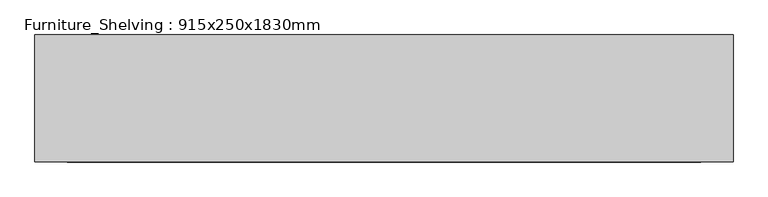
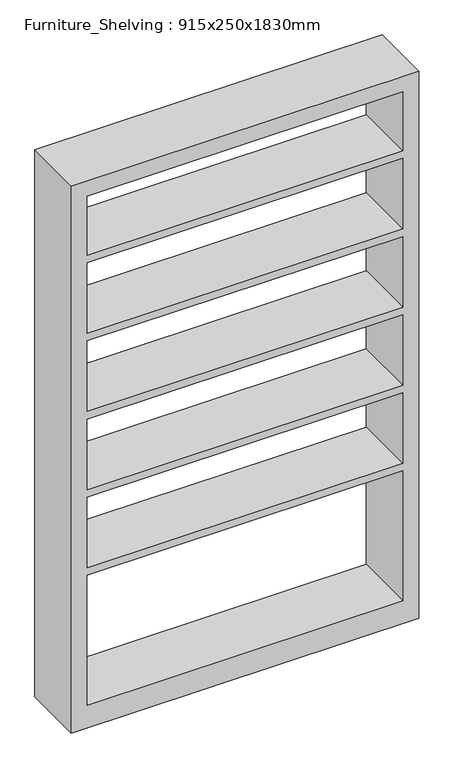
"""IFC4 building model written with IfcOpenShell, lengths in millimetres: furniture geometry, Furniture_Shelving : 915x250x1830mm."""

from ifc_helpers import new_model, si_unit, frame, origin, place, context, project, spatial, polyline, outline, extrude, source, transform, mapped, element, save


def furniture_shelving_915x250x1830mm_db4f87fe(model_context):
    return source(origin(), model_context, "Body", "SweptSolid", [
        extrude(outline(polyline([(0.0, 550.0), (1830.0, 550.0), (1830.0, -550.0), (0.0, -550.0), (0.0, 550.0)]), holes=[polyline([(1779.2, 499.2), (1581.2714286, 499.2), (1581.2714286, -499.2), (1779.2, -499.2), (1779.2, 499.2)]), polyline([(76.2, 499.2), (76.2, -499.2), (510.1571429, -499.2), (510.1571429, 499.2), (76.2, 499.2)]), polyline([(1058.4142857, -499.2), (1294.4428571, -499.2), (1294.4428571, 499.2), (1058.4142857, 499.2), (1058.4142857, -499.2)]), polyline([(1555.8714286, 499.2), (1319.8428571, 499.2), (1319.8428571, -499.2), (1555.8714286, -499.2), (1555.8714286, 499.2)]), polyline([(1033.0142857, 499.2), (796.9857143, 499.2), (796.9857143, -499.2), (1033.0142857, -499.2), (1033.0142857, 499.2)]), polyline([(771.5857143, 499.2), (535.5571429, 499.2), (535.5571429, -499.2), (771.5857143, -499.2), (771.5857143, 499.2)])]), frame((0.0, -404.8, 0.0), z_axis=(0.0, 1.0, 0.0), x_axis=(0.0, 0.0, 1.0)), (0.0, 0.0, 1.0), 200.0),
    ])


if __name__ == "__main__":
    model = new_model("IFC4")
    model_context = context("Model", 3, world=origin())
    ifc_project = project(units=[si_unit("LENGTHUNIT", "METRE", prefix="MILLI")], contexts=[model_context])
    site = spatial("IfcSite", under=ifc_project)
    building = spatial("IfcBuilding", under=site)
    placement = place(None, origin())
    furniture_shelving_915x250x1830mm_shape = furniture_shelving_915x250x1830mm_db4f87fe(model_context)
    element("IfcFurniture", 1, ObjectType="Furniture_Shelving : 915x250x1830mm", at=placement, inside=building, context=model_context, shape_type="MappedRepresentation", body=[
        mapped(furniture_shelving_915x250x1830mm_shape, transform((0.0, 0.0, 0.0), x_axis=(1.0, 0.0, 0.0), y_axis=(0.0, 1.0, 0.0), z_axis=(0.0, 0.0, 1.0))),
    ])
    save(model, "model.ifc")
